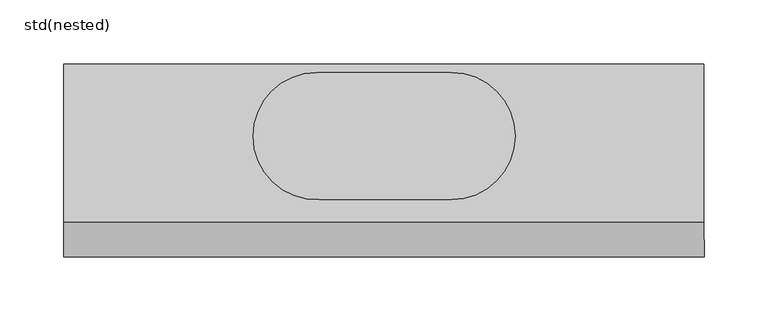
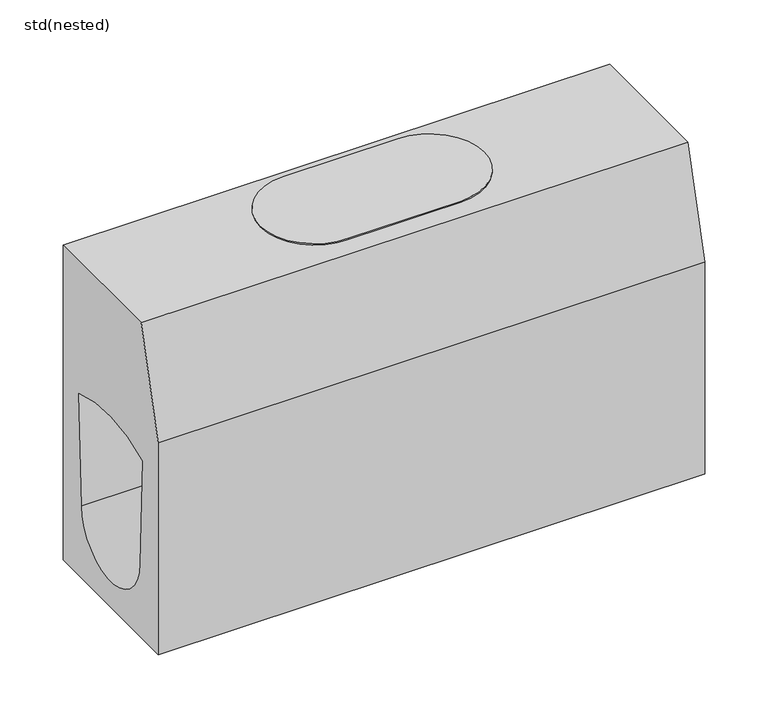
"""IFC4 building model written with IfcOpenShell, lengths in millimetres: sanitary terminal geometry, std(nested)."""

from ifc_helpers import new_model, si_unit, frame, origin, place, context, project, spatial, polyline, circle_curve, source, transform, mapped, element, save
from ifc_brep_helpers import plane_surface, cylinder_surface, revolved_surface, advanced_brep


def std_nested_efedc4ee(model_context):
    return source(origin(), model_context, "Body", "AdvancedBrep", [
        advanced_brep(
        [(-605.0387345, -606.9923419, 1.0), (-553.3015722, -656.635786, 1.0), (-450.0824871, -656.635786, 1.0), (-400.4581295, -607.0114284, 1.0), (-450.248432, -557.2211259, 1.0), (-555.3529241, -557.3023433, 1.0), (-605.0387345, -606.9923419, -10.0), (-555.3529257, -557.306533, -10.0), (-450.3529273, -557.3023433, -10.0), (-400.4581295, -607.0114284, -10.0), (-450.0824871, -656.635786, -10.0), (-553.3015722, -656.635786, -10.0)],
        [
            (0, 1, circle_curve(frame((-555.3529257, -606.9923419, 1.0), z_axis=(0.0, 0.0, 1.0), x_axis=(1.0, 0.0, 0.0)), 49.6858088)),
            (1, 2),
            (2, 3, circle_curve(frame((-450.0824871, -607.0114284, 1.0), z_axis=(0.0, 0.0, 1.0), x_axis=(1.0, 0.0, 0.0)), 49.6243576)),
            (3, 4, circle_curve(frame((-450.248432, -607.0114284, 1.0), z_axis=(0.0, 0.0, 1.0), x_axis=(1.0, 0.0, 0.0)), 49.7903025)),
            (4, 5),
            (5, 0, circle_curve(frame((-555.3529257, -606.9923419, 1.0), z_axis=(0.0, 0.0, 1.0), x_axis=(1.0, 0.0, 0.0)), 49.6858088)),
            (6, 7, circle_curve(frame((-555.3529257, -606.9923419, -10.0), z_axis=(0.0, 0.0, -1.0), x_axis=(1.0, 0.0, 0.0)), 49.6858088)),
            (7, 8),
            (8, 9, circle_curve(frame((-450.248432, -607.0114284, -10.0), z_axis=(0.0, 0.0, -1.0), x_axis=(1.0, 0.0, 0.0)), 49.7903025)),
            (9, 10, circle_curve(frame((-450.0824871, -607.0114284, -10.0), z_axis=(0.0, 0.0, -1.0), x_axis=(1.0, 0.0, 0.0)), 49.6243576)),
            (10, 11),
            (11, 6, circle_curve(frame((-555.3529257, -606.9923419, -10.0), z_axis=(0.0, 0.0, -1.0), x_axis=(1.0, 0.0, 0.0)), 49.6858088)),
            (0, 6),
            (11, 1),
            (10, 2),
            (9, 3),
            (8, 4),
            (7, 5),
        ],
        [
            plane_surface(frame((-505.6671169, -606.9923419, 1.0), z_axis=(0.0, 0.0, 1.0), x_axis=(0.0, 1.0, 0.0))),
            plane_surface(frame((-505.6671169, -606.9923419, -10.0), z_axis=(0.0, 0.0, -1.0), x_axis=(0.0, -1.0, 0.0))),
            cylinder_surface(frame((-555.3529257, -606.9923419, -10.0), z_axis=(0.0, 0.0, 1.0), x_axis=(1.0, 0.0, 0.0)), 49.6858088),
            plane_surface(frame((-553.3015722, -656.635786, 1.0), z_axis=(0.0, -1.0, 0.0), x_axis=(0.0, 0.0, -1.0))),
            cylinder_surface(frame((-450.0824871, -607.0114284, -10.0), z_axis=(0.0, 0.0, 1.0), x_axis=(1.0, 0.0, 0.0)), 49.6243576),
            cylinder_surface(frame((-450.248432, -607.0114284, -10.0), z_axis=(0.0, 0.0, 1.0), x_axis=(1.0, 0.0, 0.0)), 49.7903025),
            plane_surface(frame((-450.3529273, -557.3023433, 1.0), z_axis=(0.0, 1.0, 0.0), x_axis=(0.0, 0.0, -1.0))),
        ],
        [
            (0, [[1, 2, 3, 4, 5, 6]]),
            (1, [[7, 8, 9, 10, 11, 12]]),
            (2, [[-1, 13, -12, 14]]),
            (3, [[-2, -14, -11, 15]]),
            (4, [[-3, -15, -10, 16]]),
            (5, [[-4, -16, -9, 17]]),
            (6, [[-5, -17, -8, 18]]),
            (2, [[-6, -18, -7, -13]]),
        ],
    ),
        advanced_brep(
        [(-252.8529257, -550.4923488, 0.0), (-252.8529257, -674.6974224, 0.0), (-252.8529257, -701.4923419, -100.0000015), (-252.8529257, -701.4923419, -305.0), (-252.8529257, -550.4923488, -305.0), (-252.8529257, -575.5805575, -128.7876799), (-252.8529257, -580.0327806, -234.9054867), (-252.8529257, -671.9519045, -234.9054789), (-252.8529257, -676.2356429, -132.8032882), (-752.8529257, -550.4923488, 0.0), (-752.8529257, -550.4923488, -305.0), (-752.8529257, -701.4923419, -305.0), (-752.8529257, -701.4923419, -100.0000015), (-752.8529257, -674.6974224, 0.0), (-752.8529257, -575.5805575, -128.7876799), (-752.8529257, -676.2356429, -132.8032882), (-752.8529257, -671.9519045, -234.9054789), (-752.8529257, -580.0327806, -234.9054867), (-557.8529257, -621.0760284, -305.0), (-447.8529257, -621.0760284, -305.0), (-557.8529257, -550.4923488, -221.0), (-447.8529257, -550.4923488, -221.0), (-447.8529257, -560.4923488, -221.0), (-557.8529257, -560.4923488, -221.0), (-557.8529257, -621.0760284, -290.2588205), (-447.8529257, -621.0760284, -290.2588205)],
        [
            (0, 1),
            (1, 2),
            (2, 3),
            (3, 4),
            (4, 0),
            (5, 6),
            (6, 7, circle_curve(frame((-252.8529257, -625.9923425, -234.032141), z_axis=(-1.0, 0.0, 0.0), x_axis=(0.0, 1.0, 0.0)), 45.967859)),
            (7, 8),
            (8, 5, circle_curve(frame((-252.8529257, -621.130792, -250.5433092), z_axis=(-1.0, 0.0, 0.0), x_axis=(0.0, 1.0, 0.0)), 129.9971429)),
            (9, 10),
            (10, 11),
            (11, 12),
            (12, 13),
            (13, 9),
            (14, 15, circle_curve(frame((-752.8529257, -621.130792, -250.5433092), z_axis=(1.0, 0.0, 0.0), x_axis=(0.0, 1.0, 0.0)), 129.9971429)),
            (15, 16),
            (16, 17, circle_curve(frame((-752.8529257, -625.9923425, -234.032141), z_axis=(1.0, 0.0, 0.0), x_axis=(0.0, 1.0, 0.0)), 45.967859)),
            (17, 14),
            (8, 15),
            (14, 5),
            (7, 16),
            (6, 17),
            (0, 9),
            (13, 1),
            (2, 12),
            (11, 3),
            (10, 4),
            (18, 19, circle_curve(frame((-502.8529257, -621.0760284, -305.0), z_axis=(0.0, 0.0, 1.0), x_axis=(1.0, 0.0, 0.0)), 55.0)),
            (19, 18, circle_curve(frame((-502.8529257, -621.0760284, -305.0), z_axis=(0.0, 0.0, 1.0), x_axis=(1.0, 0.0, 0.0)), 55.0)),
            (20, 21, circle_curve(frame((-502.8529257, -550.4923488, -221.0), z_axis=(0.0, -1.0, 0.0), x_axis=(-1.0, 0.0, 0.0)), 55.0)),
            (21, 20, circle_curve(frame((-502.8529257, -550.4923488, -221.0), z_axis=(0.0, -1.0, 0.0), x_axis=(-1.0, 0.0, 0.0)), 55.0)),
            (22, 23, circle_curve(frame((-502.8529257, -560.4923488, -221.0), z_axis=(0.0, 1.0, 0.0), x_axis=(-1.0, 0.0, 0.0)), 55.0)),
            (23, 22, circle_curve(frame((-502.8529257, -560.4923488, -221.0), z_axis=(0.0, 1.0, 0.0), x_axis=(-1.0, 0.0, 0.0)), 55.0)),
            (22, 21),
            (20, 23),
            (24, 25, circle_curve(frame((-502.8529257, -621.0760284, -290.2588205), z_axis=(0.0, 0.0, -1.0), x_axis=(1.0, 0.0, 0.0)), 55.0)),
            (25, 24, circle_curve(frame((-502.8529257, -621.0760284, -290.2588205), z_axis=(0.0, 0.0, -1.0), x_axis=(1.0, 0.0, 0.0)), 55.0)),
            (25, 19),
            (18, 24),
        ],
        [
            plane_surface(frame((-252.8529257, -575.5805575, -128.7876799), z_axis=(1.0000000000000002, 0.0, 0.0), x_axis=(0.0, -0.041918598972582294, -0.9991210292352855))),
            plane_surface(frame((-752.8529257, -575.5805575, -128.7876799), z_axis=(-1.0000000000000002, 0.0, 0.0), x_axis=(0.0, 0.041918598972582294, 0.9991210292352855))),
            revolved_surface(polyline([(-752.8529257, -491.13364910000007, -250.5433092), (-252.85292570000001, -491.13364910000007, -250.5433092)]), (-752.8529257, -621.130792, -250.5433092), (-1.0, 0.0, 0.0)),
            plane_surface(frame((-252.8529257, -671.9519045, -234.9054789), z_axis=(0.0, 0.9991210323950026, 0.041918523661315314), x_axis=(-1.0, 0.0, 0.0))),
            revolved_surface(polyline([(-752.8529257, -580.0244835, -234.032141), (-252.85292570000001, -580.0244835, -234.032141)]), (-752.8529257, -625.9923425, -234.032141), (-1.0, 0.0, 0.0)),
            plane_surface(frame((-252.8529257, -575.5805575, -128.7876799), z_axis=(0.0, -0.9991210292352855, 0.041918598972582294), x_axis=(-1.0, 0.0, 0.0))),
            plane_surface(frame((-252.8529257, -550.4923488, 0.0), z_axis=(0.0, 0.0, 1.0), x_axis=(-1.0, 0.0, 0.0))),
            plane_surface(frame((-252.8529257, -701.4923419, -100.0000015), z_axis=(0.0, -1.0, 0.0), x_axis=(-1.0, 0.0, 0.0))),
            plane_surface(frame((-252.8529257, -701.4923419, -305.0), z_axis=(0.0, 0.0, -1.0), x_axis=(-1.0, 0.0, 0.0))),
            plane_surface(frame((-252.8529257, -550.4923488, -305.0), z_axis=(0.0, 1.0, 0.0), x_axis=(-1.0, 0.0, 0.0))),
            plane_surface(frame((-252.8529257, -674.6974224, 0.0), z_axis=(0.0, -0.9659258266635665, 0.25881904370487435), x_axis=(-1.0, 0.0, 0.0))),
            plane_surface(frame((-557.8529257, -560.4923488, -221.0), z_axis=(0.0, 1.0, 0.0), x_axis=(0.0, 0.0, -1.0))),
            revolved_surface(polyline([(-557.8529257, -550.4923488, -221.0), (-557.8529257, -560.4923488, -221.0)]), (-502.8529257, -560.4923488, -221.0), (0.0, 1.0, 0.0)),
            plane_surface(frame((-447.8529257, -621.0760284, -290.2588205), z_axis=(0.0, 0.0, -1.0), x_axis=(0.0, 1.0, 0.0))),
            revolved_surface(polyline([(-447.8529257, -621.0760284, -290.2588205), (-447.8529257, -621.0760284, -305.0)]), (-502.8529257, -621.0760284, -305.0), (0.0, 0.0, 1.0)),
        ],
        [
            (0, [[1, 2, 3, 4, 5], [6, 7, 8, 9]]),
            (1, [[10, 11, 12, 13, 14], [15, 16, 17, 18]]),
            (2, [[-9, 19, -15, 20]]),
            (3, [[-8, 21, -16, -19]]),
            (4, [[-7, 22, -17, -21]]),
            (5, [[-6, -20, -18, -22]]),
            (6, [[-1, 23, -14, 24]]),
            (7, [[-3, 25, -12, 26]]),
            (8, [[-4, -26, -11, 27], [28, 29]]),
            (9, [[-5, -27, -10, -23], [30, 31]]),
            (10, [[-2, -24, -13, -25]]),
            (11, [[32, 33]]),
            (12, [[-32, 34, -30, 35]]),
            (12, [[-33, -35, -31, -34]]),
            (13, [[36, 37]]),
            (14, [[-37, 38, -28, 39]]),
            (14, [[-36, -39, -29, -38]]),
        ],
    ),
    ])


if __name__ == "__main__":
    model = new_model("IFC4")
    model_context = context("Model", 3, world=origin())
    ifc_project = project(units=[si_unit("LENGTHUNIT", "METRE", prefix="MILLI")], contexts=[model_context])
    site = spatial("IfcSite", under=ifc_project)
    building = spatial("IfcBuilding", under=site)
    placement = place(None, origin())
    std_nested_shape = std_nested_efedc4ee(model_context)
    element("IfcSanitaryTerminal", 1, ObjectType="std(nested)", at=placement, inside=building, context=model_context, shape_type="MappedRepresentation", body=[
        mapped(std_nested_shape, transform((0.0, 0.0, 0.0), x_axis=(1.0, 0.0, 0.0), y_axis=(0.0, 1.0, 0.0), z_axis=(0.0, 0.0, 1.0))),
    ])
    save(model, "model.ifc")
